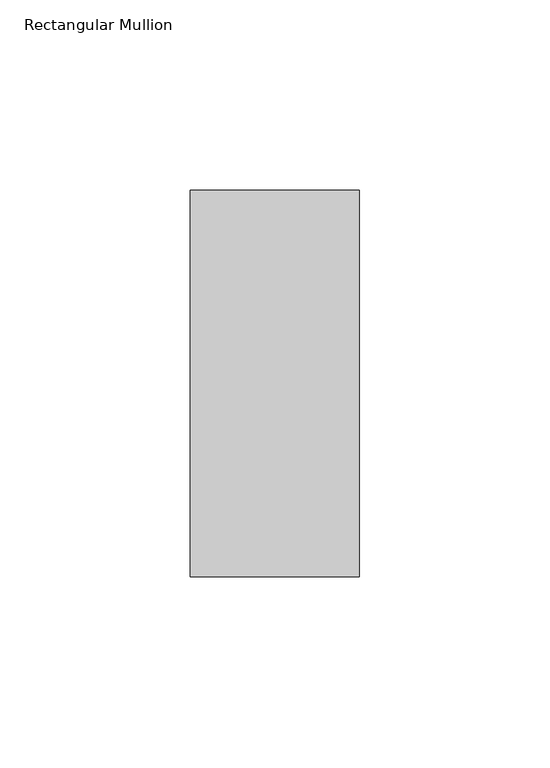
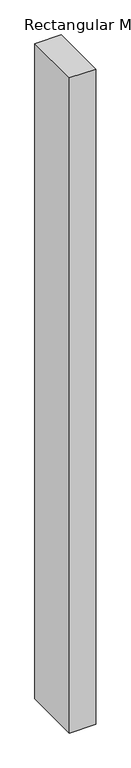
"""IFC4 building model written with IfcOpenShell, lengths in millimetres: member geometry, Rectangular Mullion."""

from ifc_helpers import new_model, si_unit, frame, origin, place, context, project, spatial, polyline, outline, extrude, source, transform, mapped, element, save


def rectangular_mullion_5120a138(model_context):
    return source(origin(), model_context, "Body", "SweptSolid", [
        extrude(outline(polyline([(22.223095, 50.8), (22.223095, -50.8), (-22.223095, -50.8), (-22.223095, 50.8), (22.223095, 50.8)])), frame((0.0, 0.0, -1174.75381), z_axis=(0.0, 0.0, 1.0), x_axis=(1.0, 0.0, 0.0)), (0.0, 0.0, 1.0), 1174.75381),
    ])


if __name__ == "__main__":
    model = new_model("IFC4")
    model_context = context("Model", 3, world=origin())
    ifc_project = project(units=[si_unit("LENGTHUNIT", "METRE", prefix="MILLI")], contexts=[model_context])
    site = spatial("IfcSite", under=ifc_project)
    building = spatial("IfcBuilding", under=site)
    placement = place(None, origin())
    rectangular_mullion_shape = rectangular_mullion_5120a138(model_context)
    element("IfcMember", 1, ObjectType="Rectangular Mullion", at=placement, inside=building, context=model_context, shape_type="MappedRepresentation", body=[
        mapped(rectangular_mullion_shape, transform((0.0, 0.0, 0.0), x_axis=(1.0, 0.0, 0.0), y_axis=(0.0, 1.0, 0.0), z_axis=(0.0, 0.0, 1.0))),
    ])
    save(model, "model.ifc")
